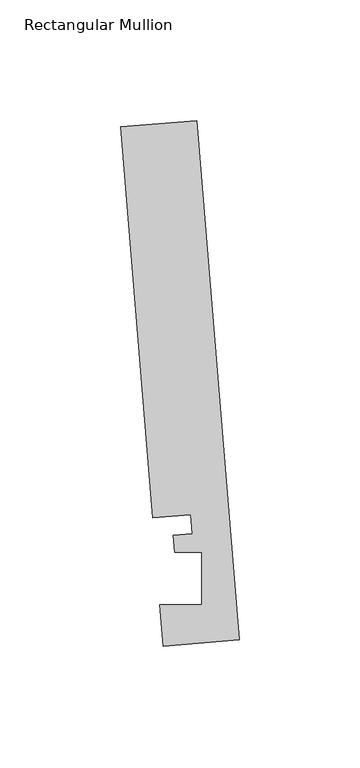
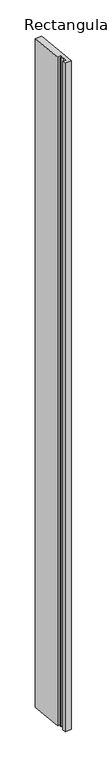
"""IFC4 building model written with IfcOpenShell, lengths in millimetres: member geometry, Rectangular Mullion."""

from ifc_helpers import new_model, si_unit, frame, origin, place, context, project, spatial, polyline, outline, extrude, source, transform, mapped, element, save


def rectangular_mullion_bed85e60(model_context):
    return source(origin(), model_context, "Body", "SweptSolid", [
        extrude(outline(polyline([(-0.2190396, 2.6699364), (-31.8627302, 0.0739116), (-33.2772473, 17.315866), (-15.8506254, 17.315866), (-15.848851, 38.9474576), (-27.100463, 38.9474576), (-27.6861262, 46.0862742), (-19.7625461, 46.7363188), (-20.4084371, 54.6092691), (-36.2302824, 53.3112566), (-49.5364672, 215.5041572), (-17.8927766, 218.100182), (-0.2190396, 2.6699364)])), frame((0.0, 0.0, -3366.7338543), z_axis=(0.0, 0.0, 1.0), x_axis=(1.0, 0.0, 0.0)), (0.0, 0.0, 1.0), 3366.7338543),
    ])


if __name__ == "__main__":
    model = new_model("IFC4")
    model_context = context("Model", 3, world=origin())
    ifc_project = project(units=[si_unit("LENGTHUNIT", "METRE", prefix="MILLI")], contexts=[model_context])
    site = spatial("IfcSite", under=ifc_project)
    building = spatial("IfcBuilding", under=site)
    placement = place(None, origin())
    rectangular_mullion_shape = rectangular_mullion_bed85e60(model_context)
    element("IfcMember", 1, ObjectType="Rectangular Mullion", at=placement, inside=building, context=model_context, shape_type="MappedRepresentation", body=[
        mapped(rectangular_mullion_shape, transform((0.0, 0.0, 0.0), x_axis=(1.0, 0.0, 0.0), y_axis=(0.0, 1.0, 0.0), z_axis=(0.0, 0.0, 1.0))),
    ])
    save(model, "model.ifc")
